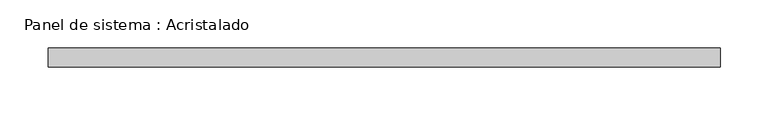
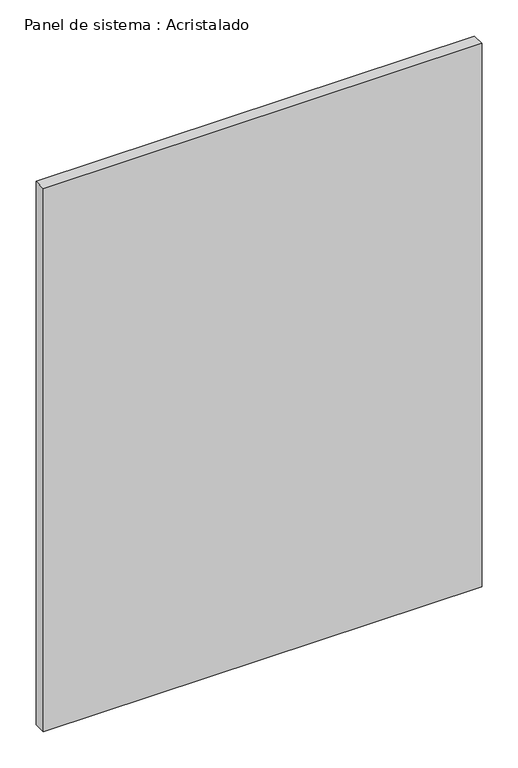
"""IFC4 building model written with IfcOpenShell, lengths in millimetres: plate geometry, Panel de sistema : Acristalado."""

from ifc_helpers import new_model, si_unit, origin, origin_with_axes, place, context, project, spatial, polyline, outline, extrude, source, transform, mapped, element, save


def panel_de_sistema_acristalado_03c3891e(model_context):
    return source(origin(), model_context, "Body", "SweptSolid", [
        extrude(outline(polyline([(350.0, -10.0), (-350.0, -10.0), (-350.0, 10.0), (350.0, 10.0), (350.0, -10.0)])), origin_with_axes(), (0.0, 0.0, 1.0), 916.0655331),
    ])


if __name__ == "__main__":
    model = new_model("IFC4")
    model_context = context("Model", 3, world=origin())
    ifc_project = project(units=[si_unit("LENGTHUNIT", "METRE", prefix="MILLI")], contexts=[model_context])
    site = spatial("IfcSite", under=ifc_project)
    building = spatial("IfcBuilding", under=site)
    placement = place(None, origin())
    panel_de_sistema_acristalado_shape = panel_de_sistema_acristalado_03c3891e(model_context)
    element("IfcPlate", 1, ObjectType="Panel de sistema : Acristalado", at=placement, inside=building, context=model_context, shape_type="MappedRepresentation", body=[
        mapped(panel_de_sistema_acristalado_shape, transform((0.0, 0.0, 0.0), x_axis=(1.0, 0.0, 0.0), y_axis=(0.0, 1.0, 0.0), z_axis=(0.0, 0.0, 1.0))),
    ])
    save(model, "model.ifc")
